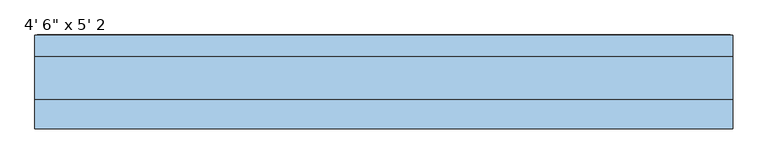
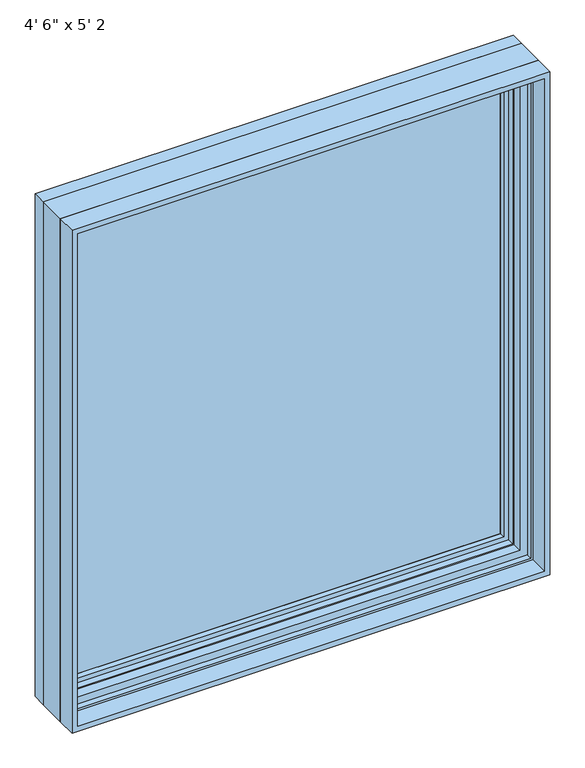
"""IFC4 building model written with IfcOpenShell, lengths in millimetres: window geometry."""

from ifc_helpers import new_model, si_unit, frame, origin, place, context, project, spatial, polyline, outline, extrude, faceted_brep, source, transform, mapped, element, save


def window_5a4bdaa1(model_context):
    return source(origin(), model_context, "Body", "SolidModel", [
        extrude(outline(polyline([(633.809375, 61.3770729), (-633.7849783, 61.3770729), (-633.7849783, 78.8395729), (633.809375, 78.8395729), (633.809375, 61.3770729)])), frame((0.0, 0.0, 966.4150217), z_axis=(0.0, 0.0, 1.0), x_axis=(1.0, 0.0, 0.0)), (0.0, 0.0, 1.0), 1419.9943533),
        extrude(outline(polyline([(914.4, -685.8), (914.4, 685.8), (2438.4, 685.8), (2438.4, -685.8), (914.4, -685.8)]), holes=[polyline([(2422.525, -669.925), (2422.525, 669.925), (930.275, 669.925), (930.275, -669.925), (2422.525, -669.925)])]), frame((0.0, -76.2, 0.0), z_axis=(0.0, 1.0, 0.0), x_axis=(0.0, 0.0, 1.0)), (0.0, 0.0, 1.0), 57.3484375),
        faceted_brep([(-633.7849783, 61.3770729, 966.4150217), (-633.7849783, 78.8395729, 966.4150217), (-633.7849783, 78.8395729, 2386.3849783), (-633.7849783, 61.3770729, 2386.3849783), (-622.1015625, 60.1793953, 978.0984375), (-622.1015625, 61.3770729, 978.0984375), (-622.1015625, 61.3770729, 2374.7015625), (-622.1015625, 60.1793953, 2374.7015625), (-624.8498111, 47.2499024, 975.3501889), (-624.8498111, 47.2499024, 2377.4498111), (-652.8341084, 78.8395729, 947.3658916), (-652.8341084, 47.2499024, 947.3658916), (-652.8341084, 47.2499024, 2405.4341084), (-652.8341084, 78.8395729, 2405.4341084), (633.7849783, 78.8395729, 2386.3849783), (633.7849783, 61.3770729, 2386.3849783), (622.1015625, 61.3770729, 2374.7015625), (622.1015625, 60.1793953, 2374.7015625), (624.8498111, 47.2499024, 2377.4498111), (652.8341084, 47.2499024, 2405.4341084), (652.8341084, 78.8395729, 2405.4341084), (633.7849783, 78.8395729, 966.4150217), (633.7849783, 61.3770729, 966.4150217), (622.1015625, 61.3770729, 978.0984375), (622.1015625, 60.1793953, 978.0984375), (624.8498111, 47.2499024, 975.3501889), (652.8341084, 47.2499024, 947.3658916), (652.8341084, 78.8395729, 947.3658916)], [[[0, 1, 2, 3]], [[4, 5, 6, 7]], [[8, 4, 7, 9]], [[10, 11, 12, 13]], [[3, 2, 14, 15]], [[7, 6, 16, 17]], [[9, 7, 17, 18]], [[13, 12, 19, 20]], [[15, 14, 21, 22]], [[17, 16, 23, 24]], [[18, 17, 24, 25]], [[20, 19, 26, 27]], [[13, 20, 27, 10], [1, 21, 14, 2]], [[22, 21, 1, 0]], [[3, 15, 22, 0], [5, 23, 16, 6]], [[24, 23, 5, 4]], [[25, 24, 4, 8]], [[11, 26, 19, 12], [9, 18, 25, 8]], [[27, 26, 11, 10]]]),
        extrude(outline(polyline([(941.2966952, -658.9033048), (941.2966952, 658.9033048), (2411.5033048, 658.9033048), (2411.5033048, -658.9033048), (941.2966952, -658.9033048)]), holes=[polyline([(2374.7015625, -622.1015625), (2374.7015625, 622.1015625), (978.0984375, 622.1015625), (978.0984375, -622.1015625), (2374.7015625, -622.1015625)])]), frame((0.0, 78.8395729, 0.0), z_axis=(0.0, 1.0, 0.0), x_axis=(0.0, 0.0, 1.0)), (0.0, 0.0, 1.0), 15.4487776),
        faceted_brep([(-671.2220166, 106.5736375, 928.9779834), (-676.555345, 108.1484375, 923.644655), (-676.555345, 108.1484375, 2429.155345), (-671.2220166, 106.5736375, 2423.8220166), (-666.3526868, 91.7927591, 933.8473132), (-666.3526868, 106.5736375, 933.8473132), (-666.3526868, 106.5736375, 2418.9526868), (-666.3526868, 91.7927591, 2418.9526868), (-665.1244, 77.6195591, 935.0756), (-665.1244, 77.6195591, 2417.7244), (-665.1244, 66.471779, 935.0756), (-665.1244, 66.471779, 2417.7244), (-685.8, 106.9932773, 914.4), (-685.8, 66.471779, 914.4), (-685.8, 66.471779, 2438.4), (-685.8, 106.9932773, 2438.4), (-683.514, 98.4241649, 916.686), (-683.514, 106.9932773, 916.686), (-683.514, 106.9932773, 2436.114), (-683.514, 98.4241649, 2436.114), (-680.7962, 108.1484375, 919.4038), (-680.7962, 98.4241649, 919.4038), (-680.7962, 98.4241649, 2433.3962), (-680.7962, 108.1484375, 2433.3962), (676.555345, 108.1484375, 2429.155345), (671.2220166, 106.5736375, 2423.8220166), (666.3526868, 106.5736375, 2418.9526868), (666.3526868, 91.7927591, 2418.9526868), (665.1244, 77.6195591, 2417.7244), (665.1244, 66.471779, 2417.7244), (685.8, 66.471779, 2438.4), (685.8, 106.9932773, 2438.4), (683.514, 106.9932773, 2436.114), (683.514, 98.4241649, 2436.114), (680.7962, 98.4241649, 2433.3962), (680.7962, 108.1484375, 2433.3962), (676.555345, 108.1484375, 923.644655), (671.2220166, 106.5736375, 928.9779834), (666.3526868, 106.5736375, 933.8473132), (666.3526868, 91.7927591, 933.8473132), (665.1244, 77.6195591, 935.0756), (665.1244, 66.471779, 935.0756), (685.8, 66.471779, 914.4), (685.8, 106.9932773, 914.4), (683.514, 106.9932773, 916.686), (683.514, 98.4241649, 916.686), (680.7962, 98.4241649, 919.4038), (680.7962, 108.1484375, 919.4038)], [[[0, 1, 2, 3]], [[4, 5, 6, 7]], [[8, 4, 7, 9]], [[10, 8, 9, 11]], [[12, 13, 14, 15]], [[16, 17, 18, 19]], [[20, 21, 22, 23]], [[3, 2, 24, 25]], [[7, 6, 26, 27]], [[9, 7, 27, 28]], [[11, 9, 28, 29]], [[15, 14, 30, 31]], [[19, 18, 32, 33]], [[23, 22, 34, 35]], [[25, 24, 36, 37]], [[27, 26, 38, 39]], [[28, 27, 39, 40]], [[29, 28, 40, 41]], [[31, 30, 42, 43]], [[33, 32, 44, 45]], [[35, 34, 46, 47]], [[37, 36, 1, 0]], [[3, 25, 37, 0], [5, 38, 26, 6]], [[39, 38, 5, 4]], [[40, 39, 4, 8]], [[41, 40, 8, 10]], [[13, 42, 30, 14], [11, 29, 41, 10]], [[43, 42, 13, 12]], [[15, 31, 43, 12], [17, 44, 32, 18]], [[45, 44, 17, 16]], [[19, 33, 45, 16], [21, 46, 34, 22]], [[47, 46, 21, 20]], [[23, 35, 47, 20], [1, 36, 24, 2]]]),
        faceted_brep([(-685.8, 66.471779, 914.4), (-685.8, -18.8515625, 914.4), (-685.8, -18.8515625, 2438.4), (-685.8, 66.471779, 2438.4), (-666.1404, 54.0563278, 934.0596), (-666.1404, 66.471779, 934.0596), (-666.1404, 66.471779, 2418.7404), (-666.1404, 54.0563278, 2418.7404), (-659.6634, 47.0093984, 940.5366), (-659.6634, 54.0563278, 940.5366), (-659.6634, 54.0563278, 2412.2634), (-659.6634, 47.0093984, 2412.2634), (-638.175, 27.2279649, 962.025), (-638.175, 47.0093984, 962.025), (-638.175, 47.0093984, 2390.775), (-638.175, 27.2279649, 2390.775), (-642.1374, -1.7772662, 958.0626), (-642.1374, 27.2279649, 958.0626), (-642.1374, 27.2279649, 2394.7374), (-642.1374, -1.7772662, 2394.7374), (685.8, -18.8515625, 2438.4), (685.8, 66.471779, 2438.4), (666.1404, 66.471779, 2418.7404), (666.1404, 54.0563278, 2418.7404), (659.6634, 54.0563278, 2412.2634), (659.6634, 47.0093984, 2412.2634), (638.175, 47.0093984, 2390.775), (638.175, 27.2279649, 2390.775), (642.1374, 27.2279649, 2394.7374), (642.1374, -1.7772662, 2394.7374), (685.8, -18.8515625, 914.4), (685.8, 66.471779, 914.4), (666.1404, 66.471779, 934.0596), (666.1404, 54.0563278, 934.0596), (659.6634, 54.0563278, 940.5366), (659.6634, 47.0093984, 940.5366), (638.175, 47.0093984, 962.025), (638.175, 27.2279649, 962.025), (642.1374, 27.2279649, 958.0626), (642.1374, -1.7772662, 958.0626), (-663.5761112, -18.8515625, 2416.1761112), (663.5761112, -18.8515625, 2416.1761112), (663.5761112, -18.8515625, 936.6238888), (-663.5761112, -18.8515625, 936.6238888), (-663.5761112, -1.7772662, 936.6238888), (663.5761112, -1.7772662, 936.6238888), (663.5761112, -1.7772662, 2416.1761112), (-663.5761112, -1.7772662, 2416.1761112)], [[[0, 1, 2, 3]], [[4, 5, 6, 7]], [[8, 9, 10, 11]], [[12, 13, 14, 15]], [[16, 17, 18, 19]], [[3, 2, 20, 21]], [[7, 6, 22, 23]], [[11, 10, 24, 25]], [[15, 14, 26, 27]], [[19, 18, 28, 29]], [[21, 20, 30, 31]], [[23, 22, 32, 33]], [[25, 24, 34, 35]], [[27, 26, 36, 37]], [[29, 28, 38, 39]], [[1, 30, 20, 2], [40, 41, 42, 43]], [[31, 30, 1, 0]], [[3, 21, 31, 0], [5, 32, 22, 6]], [[33, 32, 5, 4]], [[7, 23, 33, 4], [9, 34, 24, 10]], [[35, 34, 9, 8]], [[11, 25, 35, 8], [13, 36, 26, 14]], [[37, 36, 13, 12]], [[17, 38, 28, 18], [15, 27, 37, 12]], [[39, 38, 17, 16]], [[44, 45, 46, 47], [19, 29, 39, 16]], [[43, 44, 47, 40]], [[40, 47, 46, 41]], [[41, 46, 45, 42]], [[42, 45, 44, 43]]]),
    ])


if __name__ == "__main__":
    model = new_model("IFC4")
    model_context = context("Model", 3, world=origin())
    ifc_project = project(units=[si_unit("LENGTHUNIT", "METRE", prefix="MILLI")], contexts=[model_context])
    site = spatial("IfcSite", under=ifc_project)
    building = spatial("IfcBuilding", under=site)
    placement = place(None, origin())
    window_shape = window_5a4bdaa1(model_context)
    element("IfcWindow", 1, ObjectType="4' 6\" x 5' 2", at=placement, inside=building, context=model_context, shape_type="MappedRepresentation", body=[
        mapped(window_shape, transform((0.0, 0.0, 0.0), x_axis=(1.0, 0.0, 0.0), y_axis=(0.0, 1.0, 0.0), z_axis=(0.0, 0.0, 1.0))),
    ])
    save(model, "model.ifc")
